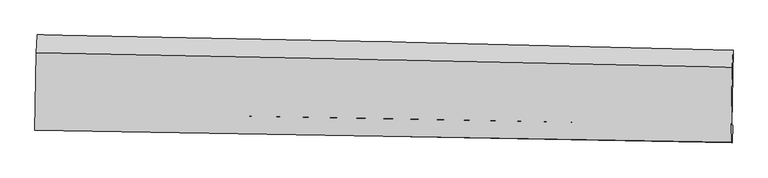
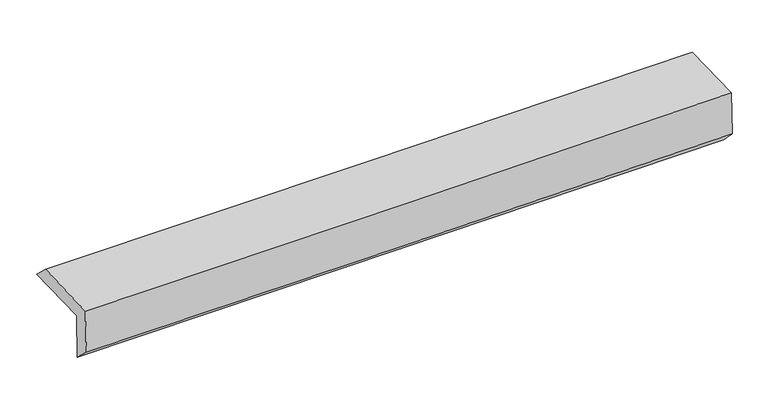
"""IFC4 building model written with IfcOpenShell, lengths in millimetres: proxy geometry."""

from ifc_helpers import new_model, si_unit, frame, origin, place, context, project, spatial, source, transform, mapped, element, save
from ifc_brep_helpers import plane_surface, spline_curve, spline_surface, advanced_brep


def generic_models_004d22b7(model_context):
    return source(origin(), model_context, "Body", "AdvancedBrep", [
        advanced_brep(
        [(-3031.804061, -1741.2576477, 1967.4210063), (-3019.2042101, -1068.588573, 1968.2232239), (3020.5923074, -1203.1720449, 2120.3825282), (3008.6144211, -1853.3600486, 2109.7973693), (-3023.2340378, -1740.7574426, 1549.3482242), (3017.48892, -1852.8420723, 1676.8713008), (-3029.1400568, -1896.6692842, 1694.9695849), (3011.5727214, -2003.8708862, 1827.4624497), (-3037.5332215, -1894.1429143, 2107.1774114), (3003.1795047, -2001.3445007, 2239.6728287), (-3025.105728, -1224.9872033, 2113.1788889), (3015.3281311, -1347.2043291, 2245.5396359)],
        [
            (0, 1),
            (1, 2, spline_curve(3, [(-3019.2042101, -1068.588573, 1968.2232239), (-2012.217672739, -1084.739916687, 1982.629918004), (-1005.413886063, -1104.030710896, 2002.512995971), (1007.851628293, -1148.891721847, 2053.232508786), (2014.313347178, -1174.462085024, 2084.069199315), (3020.5923074, -1203.1720449, 2120.3825282)], [4, 2, 4], [0.0, 9.913423842640189, 19.82707854357012])),
            (2, 3),
            (3, 0, spline_curve(3, [(3008.6144211, -1853.3600486, 2109.7973693), (2002.223154041, -1832.626548875, 2071.662633717), (995.653450493, -1812.91783539, 2040.730514838), (-1017.819385049, -1775.550415901, 1993.272062749), (-2024.722509089, -1757.891662446, 1976.745393994), (-3031.804061, -1741.2576477, 1967.4210063)], [4, 2, 4], [0.0, 9.913654700929932, 19.82707854357012])),
            (4, 0),
            (3, 5),
            (5, 4, spline_curve(3, [(3017.48892, -1852.8420723, 1676.8713008), (2010.807801672, -1832.125490186, 1652.876428108), (1004.067800632, -1812.426716313, 1630.251960634), (-1009.506521407, -1775.065220708, 1587.744332507), (-2016.340839806, -1757.402451078, 1567.861107566), (-3023.2340378, -1740.7574426, 1549.3482242)], [4, 2, 4], [0.0, 9.913460692556638, 19.826690531341384])),
            (6, 4),
            (5, 7),
            (7, 6, spline_curve(3, [(3011.5727214, -2003.8708862, 1827.4624497), (2004.895845235, -1985.669232808, 1800.956828193), (998.158813875, -1967.634837249, 1776.662842731), (-1015.41211529, -1931.900977622, 1732.498657499), (-2022.246009576, -1914.201505825, 1712.628354726), (-3029.1400568, -1896.6692842, 1694.9695849)], [4, 2, 4], [0.0, 9.913373190256554, 19.826515528778874])),
            (8, 6),
            (7, 9),
            (9, 8, spline_curve(3, [(3003.1795047, -2001.3445007, 2239.6728287), (1996.50262005, -1983.142844747, 2213.167632642), (989.765588327, -1965.108449181, 2188.873647145), (-1023.805323141, -1929.374594689, 2144.708611094), (-2030.639200457, -1911.675128229, 2124.837457474), (-3037.5332215, -1894.1429143, 2107.1774114)], [4, 2, 4], [0.0, 9.913388083260926, 19.826545314440807])),
            (10, 8),
            (9, 11),
            (11, 10, spline_curve(3, [(3015.3281311, -1347.2043291, 2245.5396359), (2008.728565789, -1324.83942386, 2219.071779051), (1002.053433176, -1303.472103716, 2194.807685547), (-1011.424523673, -1262.733108432, 2150.68753917), (-2018.227343946, -1243.361386397, 2130.831383501), (-3025.105728, -1224.9872033, 2113.1788889)], [4, 2, 4], [0.0, 9.913384579605857, 19.826538307212257])),
            (1, 10),
            (11, 2),
        ],
        [
            spline_surface(3, 3, [[(-3031.804061, -1741.2576477, 1967.4210063), (-2024.722509004, -1757.891662572, 1976.745393991), (-1017.819385124, -1775.550416017, 1993.272062679), (995.653450568, -1812.917835274, 2040.730514907), (2002.223154024, -1832.626548759, 2071.662633864), (3008.6144211, -1853.3600486, 2109.7973693)], [(-3027.604110687, -1517.034622802, 1967.688412161), (-2020.554230283, -1533.507747307, 1978.706902033), (-1013.684218777, -1551.710514283, 1996.352373717), (999.719509804, -1591.575797482, 2044.897846221), (2006.253218454, -1613.238394208, 2075.798155663), (3012.607049875, -1636.630714019, 2113.325755604)], [(-3023.404160413, -1292.811597898, 1967.955818039), (-2016.3859516, -1309.123832037, 1980.668410093), (-1009.549052411, -1327.870612565, 1999.432684813), (1003.785569057, -1370.233759705, 2049.065177593), (2010.283282859, -1393.850239699, 2079.93367745), (3016.599678625, -1419.901379481, 2116.854141896)], [(-3019.2042101, -1068.588573, 1968.2232239), (-2012.21767288, -1084.739916772, 1982.629918135), (-1005.413886063, -1104.030710831, 2002.512995851), (1007.851628293, -1148.891721912, 2053.232508906), (2014.313347288, -1174.462085148, 2084.069199249), (3020.5923074, -1203.1720449, 2120.3825282)]], [4, 4], [4, 2, 4], [0.0, 2.1915177173172267], [0.0, 9.913423842640189, 19.82707854357012]),
            spline_surface(3, 3, [[(-3023.2340378, -1740.7574426, 1549.3482242), (-2016.340839658, -1757.402451089, 1567.861107417), (-1009.506521402, -1775.0652206, 1587.744332387), (1004.067800628, -1812.426716422, 1630.251960754), (2010.807801597, -1832.125490161, 1652.876428), (3017.48892, -1852.8420723, 1676.8713008)], [(-3026.090712202, -1740.924177619, 1688.705818212), (-2019.134729442, -1757.565521569, 1704.155869587), (-1012.277475973, -1775.226952425, 1722.920242488), (1001.263017277, -1812.590422725, 1767.078145476), (2007.946252399, -1832.292509707, 1792.471829953), (3014.530753693, -1853.01473108, 1821.179990298)], [(-3028.947386598, -1741.090912681, 1828.063412288), (-2021.92861922, -1757.728592091, 1840.45063182), (-1015.048430553, -1775.388684192, 1858.096152578), (998.458233918, -1812.754128971, 1903.904330186), (2005.084703223, -1832.459529213, 1932.067231912), (3011.572587407, -1853.18738982, 1965.488679802)], [(-3031.804061, -1741.2576477, 1967.4210063), (-2024.722509004, -1757.891662572, 1976.745393991), (-1017.819385124, -1775.550416017, 1993.272062679), (995.653450568, -1812.917835274, 2040.730514907), (2002.223154024, -1832.626548759, 2071.662633864), (3008.6144211, -1853.3600486, 2109.7973693)]], [4, 4], [4, 2, 4], [0.0, 1.338875344941405], [0.0, 9.913229838784746, 19.826690531341384]),
            spline_surface(3, 3, [[(-3029.1400568, -1896.6692842, 1694.9695849), (-2022.24600963, -1914.201505939, 1712.628354786), (-1015.412115135, -1931.90097766, 1732.498657472), (998.158813721, -1967.63483721, 1776.662842757), (2004.895845318, -1985.669232809, 1800.956828294), (3011.5727214, -2003.8708862, 1827.4624497)], [(-3027.171383819, -1844.698670357, 1646.429131358), (-2020.277619659, -1861.935154346, 1664.372605687), (-1013.443583907, -1879.622391968, 1684.247215793), (1000.128476007, -1915.898796942, 1727.859215439), (2006.866497425, -1934.487985268, 1751.596694857), (3013.544787615, -1953.527948242, 1777.265400061)], [(-3025.202710781, -1792.728056443, 1597.888677742), (-2018.30922963, -1809.668802682, 1616.116856515), (-1011.47505263, -1827.343806292, 1635.995774066), (1002.098138341, -1864.16275669, 1679.055588073), (2008.837149489, -1883.306737702, 1702.236561437), (3015.516853785, -1903.185010258, 1727.068350439)], [(-3023.2340378, -1740.7574426, 1549.3482242), (-2016.340839658, -1757.402451089, 1567.861107417), (-1009.506521402, -1775.0652206, 1587.744332387), (1004.067800628, -1812.426716422, 1630.251960754), (2010.807801597, -1832.125490161, 1652.876428), (3017.48892, -1852.8420723, 1676.8713008)]], [4, 4], [4, 2, 4], [0.0, 0.7003808315985642], [0.0, 9.91314233852232, 19.826515528778874]),
            spline_surface(3, 3, [[(-3037.5332215, -1894.1429143, 2107.1774114), (-2030.639200316, -1911.675128217, 2124.837457527), (-1023.805323172, -1929.374594767, 2144.708611051), (989.765588358, -1965.108449103, 2188.873647188), (1996.502619955, -1983.142844702, 2213.167632724), (3003.1795047, -2001.3445007, 2239.6728287)], [(-3034.735499922, -1894.985037581, 1969.774802562), (-2027.841470077, -1912.517254105, 1987.434423276), (-1021.007587158, -1930.216722394, 2007.30529319), (992.563330148, -1965.950578468, 2051.470045709), (1999.300361745, -1983.984974066, 2075.764031245), (3005.977243602, -2002.186629196, 2102.269369031)], [(-3031.937778378, -1895.827160919, 1832.372193738), (-2025.04373987, -1913.359380051, 1850.031389037), (-1018.209851149, -1931.058850034, 1869.901975334), (995.361071931, -1966.792707846, 1914.066444236), (2002.098103528, -1984.827103445, 1938.360429773), (3008.774982498, -2003.028757704, 1964.865909369)], [(-3029.1400568, -1896.6692842, 1694.9695849), (-2022.24600963, -1914.201505939, 1712.628354786), (-1015.412115135, -1931.90097766, 1732.498657472), (998.158813721, -1967.63483721, 1776.662842757), (2004.895845318, -1985.669232809, 1800.956828294), (3011.5727214, -2003.8708862, 1827.4624497)]], [4, 4], [4, 2, 4], [0.0, 1.352701967288725], [0.0, 9.91315723117988, 19.826545314440807]),
            spline_surface(3, 3, [[(-3025.105728, -1224.9872033, 2113.1788889), (-2018.227343785, -1243.361386454, 2130.831383632), (-1011.424523521, -1262.733108351, 2150.687539172), (1002.053433025, -1303.472103797, 2194.807685545), (2008.728565807, -1324.839423887, 2219.071778986), (3015.3281311, -1347.2043291, 2245.5396359)], [(-3029.248225849, -1448.03910696, 2111.178396402), (-2022.364629312, -1466.132633702, 2128.833408266), (-1015.551456728, -1484.946937156, 2148.694563142), (997.957484813, -1524.017552232, 2192.829672769), (2004.65325051, -1544.273897504, 2217.103730245), (3011.278588953, -1565.251052979, 2243.584033513)], [(-3033.390723651, -1671.09101064, 2109.177903898), (-2026.50191479, -1688.90388097, 2126.835432893), (-1019.678389966, -1707.160765962, 2146.701587081), (993.86153657, -1744.563000668, 2190.851659963), (2000.577935253, -1763.708371085, 2215.135681466), (3007.229046847, -1783.297776821, 2241.628431087)], [(-3037.5332215, -1894.1429143, 2107.1774114), (-2030.639200316, -1911.675128217, 2124.837457527), (-1023.805323172, -1929.374594767, 2144.708611051), (989.765588358, -1965.108449103, 2188.873647188), (1996.502619955, -1983.142844702, 2213.167632724), (3003.1795047, -2001.3445007, 2239.6728287)]], [4, 4], [4, 2, 4], [0.0, 2.179396619110345], [0.0, 9.9131537276064, 19.826538307212257]),
            spline_surface(3, 3, [[(-3019.2042101, -1068.588573, 1968.2232239), (-2012.21767288, -1084.739916772, 1982.629918135), (-1005.413886063, -1104.030710831, 2002.512995851), (1007.851628293, -1148.891721912, 2053.232508906), (2014.313347288, -1174.462085148, 2084.069199249), (3020.5923074, -1203.1720449, 2120.3825282)], [(-3021.171382719, -1120.721449781, 2016.541778904), (-2014.220896501, -1137.613740014, 2032.030406638), (-1007.417431876, -1156.93151, 2051.904510283), (1005.918896544, -1200.418515869, 2100.424234445), (2012.451753457, -1224.587864713, 2129.070059154), (3018.837581963, -1251.182806285, 2162.101564093)], [(-3023.138555381, -1172.854326519, 2064.860333896), (-2016.224120164, -1190.487563212, 2081.430895128), (-1009.420977709, -1209.832309182, 2101.296024739), (1003.986164774, -1251.94530984, 2147.615960006), (2010.590159638, -1274.713644322, 2174.070919081), (3017.082856537, -1299.193567715, 2203.820600007)], [(-3025.105728, -1224.9872033, 2113.1788889), (-2018.227343785, -1243.361386454, 2130.831383632), (-1011.424523521, -1262.733108351, 2150.687539172), (1002.053433025, -1303.472103797, 2194.807685545), (2008.728565807, -1324.839423887, 2219.071778986), (3015.3281311, -1347.2043291, 2245.5396359)]], [4, 4], [4, 2, 4], [0.0, 0.700288914570144], [0.0, 9.91330549155844, 19.82684183865053]),
            plane_surface(frame((3012.796001, -1710.2989803, 2036.6210188), z_axis=(0.9996146952375269, -0.018748321958331704, 0.020468548774475518), x_axis=(0.02035688635276288, -0.006127488903753875, -0.9997739999908755))),
            plane_surface(frame((-3027.6702192, -1594.4005109, 1900.0530566), z_axis=(-0.9996146952375059, 0.018748321959769044, -0.020468548774190347), x_axis=(-0.018727830185839324, -0.9998239078004784, -0.0011923787616562637))),
        ],
        [
            (0, [[1, 2, 3, 4]]),
            (1, [[5, -4, 6, 7]]),
            (2, [[8, -7, 9, 10]]),
            (3, [[11, -10, 12, 13]]),
            (4, [[14, -13, 15, 16]]),
            (5, [[17, -16, 18, -2]]),
            (6, [[-12, -9, -6, -3, -18, -15]]),
            (7, [[-1, -5, -8, -11, -14, -17]]),
        ],
    ),
    ])


if __name__ == "__main__":
    model = new_model("IFC4")
    model_context = context("Model", 3, world=origin())
    ifc_project = project(units=[si_unit("LENGTHUNIT", "METRE", prefix="MILLI")], contexts=[model_context])
    site = spatial("IfcSite", under=ifc_project)
    building = spatial("IfcBuilding", under=site)
    placement = place(None, origin())
    generic_models_shape = generic_models_004d22b7(model_context)
    element("IfcBuildingElementProxy", 1, Name="Generic Models", at=placement, inside=building, context=model_context, shape_type="MappedRepresentation", body=[
        mapped(generic_models_shape, transform((0.0, 0.0, 0.0), x_axis=(1.0, 0.0, 0.0), y_axis=(0.0, 1.0, 0.0), z_axis=(0.0, 0.0, 1.0))),
    ])
    save(model, "model.ifc")
